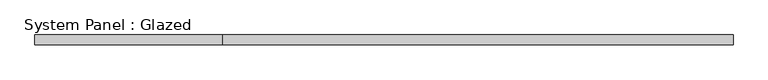
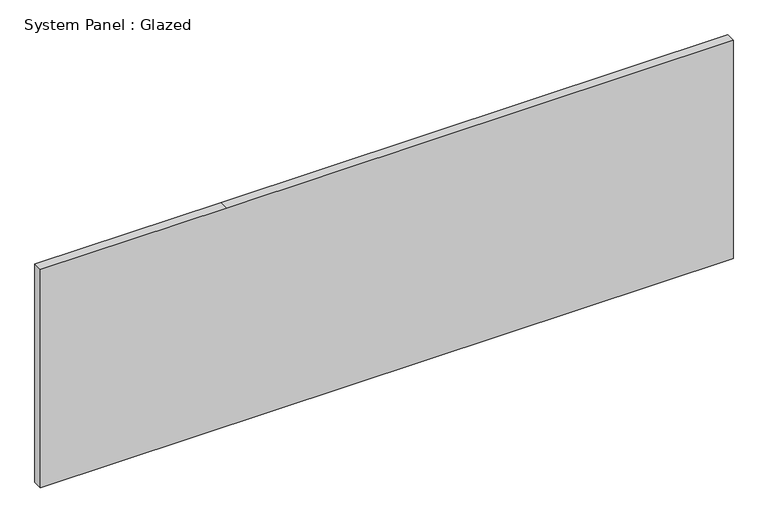
"""IFC4 building model written with IfcOpenShell, lengths in millimetres: plate geometry, System Panel : Glazed."""

from ifc_helpers import new_model, si_unit, frame, origin, place, context, project, spatial, polyline, outline, extrude, source, transform, mapped, element, save


def system_panel_glazed_b38f7dd4(model_context):
    return source(origin(), model_context, "Body", "SweptSolid", [
        extrude(outline(polyline([(0.0, -914.4), (0.0, 914.4), (609.6, 914.4), (609.6, -422.7554172), (609.6, -914.4), (0.0, -914.4)])), frame((0.0, 19.05, 0.0), z_axis=(0.0, 1.0, 0.0), x_axis=(0.0, 0.0, 1.0)), (0.0, 0.0, 1.0), 25.4),
    ])


if __name__ == "__main__":
    model = new_model("IFC4")
    model_context = context("Model", 3, world=origin())
    ifc_project = project(units=[si_unit("LENGTHUNIT", "METRE", prefix="MILLI")], contexts=[model_context])
    site = spatial("IfcSite", under=ifc_project)
    building = spatial("IfcBuilding", under=site)
    placement = place(None, origin())
    system_panel_glazed_shape = system_panel_glazed_b38f7dd4(model_context)
    element("IfcPlate", 1, ObjectType="System Panel : Glazed", at=placement, inside=building, context=model_context, shape_type="MappedRepresentation", body=[
        mapped(system_panel_glazed_shape, transform((0.0, 0.0, 0.0), x_axis=(1.0, 0.0, 0.0), y_axis=(0.0, 1.0, 0.0), z_axis=(0.0, 0.0, 1.0))),
    ])
    save(model, "model.ifc")
